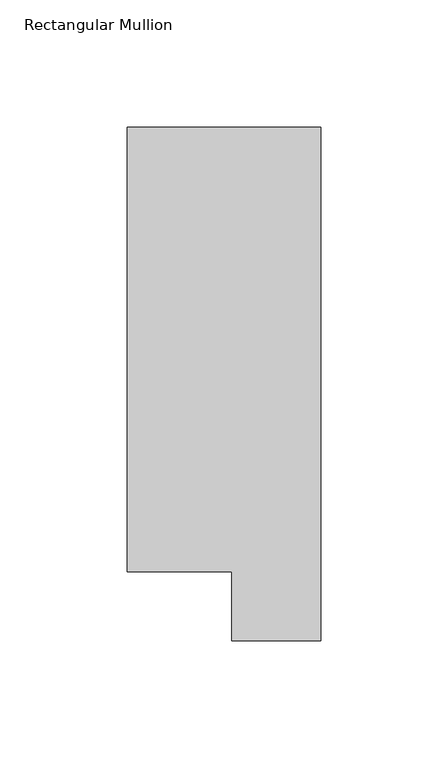
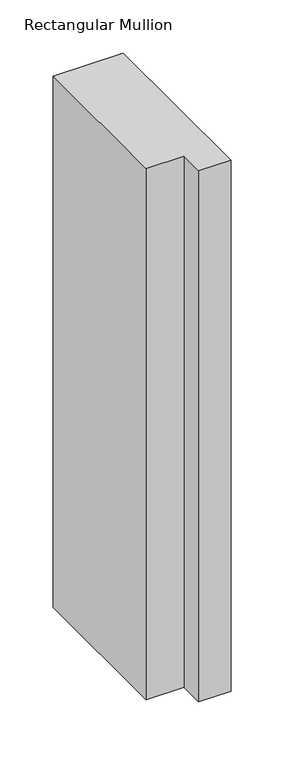
"""IFC4 building model written with IfcOpenShell, lengths in millimetres: member geometry, Rectangular Mullion."""

from ifc_helpers import new_model, si_unit, frame, origin, place, context, project, spatial, polyline, outline, extrude, source, transform, mapped, element, save


def rectangular_mullion_dc6eb29c(model_context):
    return source(origin(), model_context, "Body", "SweptSolid", [
        extrude(outline(polyline([(0.0, 221.7507313), (0.0, 19.5667313), (-34.9123, 19.5667313), (-34.9123, 46.7447302), (-76.2, 46.7447302), (-76.2, 221.7507313), (0.0, 221.7507313)])), frame((0.0, 0.0, -609.56825), z_axis=(0.0, 0.0, 1.0), x_axis=(1.0, 0.0, 0.0)), (0.0, 0.0, 1.0), 609.56825),
    ])


if __name__ == "__main__":
    model = new_model("IFC4")
    model_context = context("Model", 3, world=origin())
    ifc_project = project(units=[si_unit("LENGTHUNIT", "METRE", prefix="MILLI")], contexts=[model_context])
    site = spatial("IfcSite", under=ifc_project)
    building = spatial("IfcBuilding", under=site)
    placement = place(None, origin())
    rectangular_mullion_shape = rectangular_mullion_dc6eb29c(model_context)
    element("IfcMember", 1, ObjectType="Rectangular Mullion", at=placement, inside=building, context=model_context, shape_type="MappedRepresentation", body=[
        mapped(rectangular_mullion_shape, transform((0.0, 0.0, 0.0), x_axis=(1.0, 0.0, 0.0), y_axis=(0.0, 1.0, 0.0), z_axis=(0.0, 0.0, 1.0))),
    ])
    save(model, "model.ifc")
